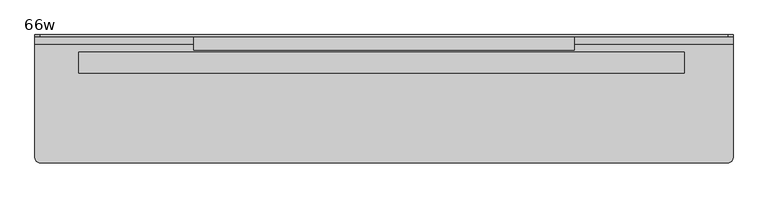
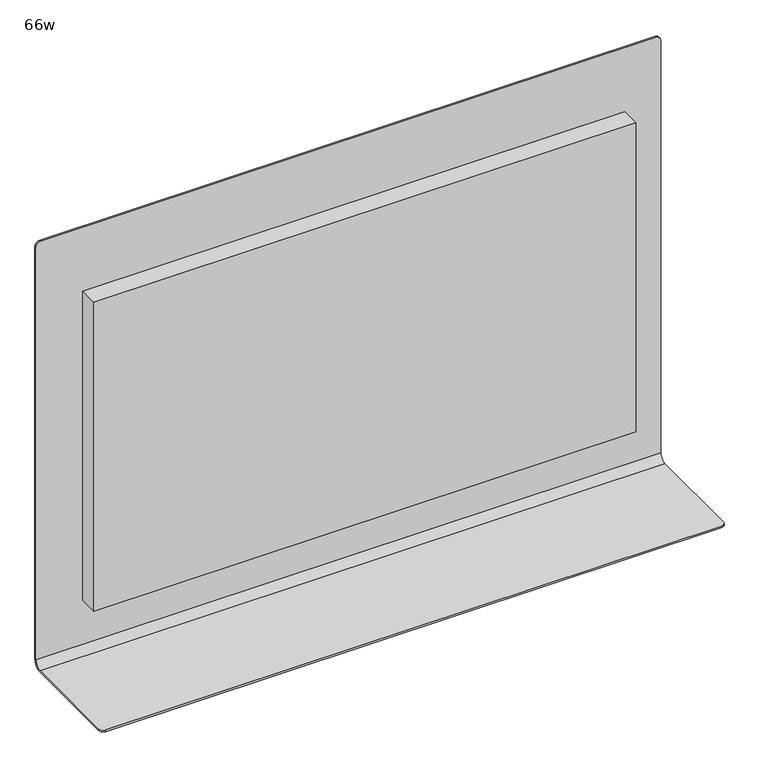
"""IFC4 building model written with IfcOpenShell, lengths in millimetres: furniture geometry, 66w."""

from ifc_helpers import new_model, si_unit, frame, origin, place, context, project, spatial, polyline, circle_curve, outline, extrude, source, transform, mapped, element, save
from ifc_brep_helpers import plane_surface, cylinder_surface, revolved_surface, advanced_brep


def furniture_66w_0b4b0d60(model_context):
    return source(origin(), model_context, "Body", "SolidModel", [
        extrude(outline(polyline([(936.625, -524.3972258), (-517.525, -524.3972258), (-517.525, -473.5972258), (936.625, -473.5972258), (936.625, -524.3972258)])), frame((0.0, 0.0, 952.5), z_axis=(0.0, 0.0, 1.0), x_axis=(1.0, 0.0, 0.0)), (0.0, 0.0, 1.0), 876.3),
        extrude(outline(polyline([(-241.3, -468.8347258), (-241.3, -437.0847266), (673.1, -437.0847266), (673.1, -468.8347258), (-241.3, -468.8347258)])), frame((0.0, 0.0, 1257.3), z_axis=(0.0, 0.0, 1.0), x_axis=(1.0, 0.0, 0.0)), (0.0, 0.0, 1.0), 520.7),
        advanced_brep(
        [(-622.3, -437.0847266, 1968.5), (-622.3, -432.3222266, 1968.5), (-622.3, -432.3222266, 798.5125), (-622.3, -456.1347266, 774.7), (-622.3, -727.5972258, 774.7), (-622.3, -727.5972258, 779.4625), (-622.3, -456.1347266, 779.4625), (-622.3, -437.0847266, 798.5125), (1054.1, -437.0847266, 798.5125), (1054.1, -456.1347266, 779.4625), (1054.1, -727.5972258, 779.4625), (1054.1, -727.5972258, 774.7), (1054.1, -456.1347266, 774.7), (1054.1, -432.3222266, 798.5125), (1054.1, -432.3222266, 1968.5), (1054.1, -437.0847266, 1968.5), (1041.4, -437.0847266, 1981.2), (-609.6, -437.0847266, 1981.2), (-609.6, -432.3222265, 1981.2), (1041.4, -432.3222265, 1981.2), (1041.4, -740.2972258, 774.7), (-609.6, -740.2972258, 774.7), (1041.4, -740.2972258, 779.4625), (-609.6, -740.2972258, 779.4625)],
        [
            (0, 1),
            (1, 2),
            (2, 3, circle_curve(frame((-622.3, -456.1347266, 798.5125), z_axis=(-1.0, 0.0, 0.0), x_axis=(0.0, 1.0, 0.0)), 23.8125)),
            (3, 4),
            (4, 5),
            (5, 6),
            (6, 7, circle_curve(frame((-622.3, -456.1347266, 798.5125), z_axis=(1.0, 0.0, 0.0), x_axis=(0.0, 1.0, 0.0)), 19.05)),
            (7, 0),
            (8, 9, circle_curve(frame((1054.1, -456.1347266, 798.5125), z_axis=(-1.0, 0.0, 0.0), x_axis=(0.0, 1.0, 0.0)), 19.05)),
            (9, 10),
            (10, 11),
            (11, 12),
            (12, 13, circle_curve(frame((1054.1, -456.1347266, 798.5125), z_axis=(1.0, 0.0, 0.0), x_axis=(0.0, 1.0, 0.0)), 23.8125)),
            (13, 14),
            (14, 15),
            (15, 8),
            (7, 8),
            (15, 16, circle_curve(frame((1041.4, -437.0847266, 1968.5), z_axis=(0.0, -1.0, 0.0), x_axis=(0.0, 0.0, 1.0)), 12.7)),
            (16, 17),
            (17, 0, circle_curve(frame((-609.6, -437.0847266, 1968.5), z_axis=(0.0, -1.0, 0.0), x_axis=(0.0, 0.0, 1.0)), 12.7)),
            (1, 18, circle_curve(frame((-609.6, -432.3222265, 1968.5), z_axis=(0.0, 1.0, 0.0), x_axis=(0.0, 0.0, 1.0)), 12.7)),
            (18, 19),
            (19, 14, circle_curve(frame((1041.4, -432.3222265, 1968.5), z_axis=(0.0, 1.0, 0.0), x_axis=(0.0, 0.0, 1.0)), 12.7)),
            (13, 2),
            (12, 3),
            (11, 20, circle_curve(frame((1041.4, -727.5972258, 774.7), z_axis=(0.0, 0.0, -1.0), x_axis=(1.0, 0.0, 0.0)), 12.7)),
            (20, 21),
            (21, 4, circle_curve(frame((-609.6, -727.5972258, 774.7), z_axis=(0.0, 0.0, -1.0), x_axis=(1.0, 0.0, 0.0)), 12.7)),
            (20, 22),
            (22, 23),
            (23, 21),
            (9, 6),
            (5, 23, circle_curve(frame((-609.6, -727.5972258, 779.4625), z_axis=(0.0, 0.0, 1.0), x_axis=(1.0, 0.0, 0.0)), 12.7)),
            (22, 10, circle_curve(frame((1041.4, -727.5972258, 779.4625), z_axis=(0.0, 0.0, 1.0), x_axis=(1.0, 0.0, 0.0)), 12.7)),
            (18, 17),
            (16, 19),
        ],
        [
            plane_surface(frame((-622.3, -437.0847266, 811.2125), z_axis=(-1.0, 0.0, 0.0), x_axis=(0.0, 0.0, 1.0))),
            plane_surface(frame((1054.1, -437.0847266, 811.2125), z_axis=(1.0, 0.0, 0.0), x_axis=(0.0, 0.0, -1.0))),
            plane_surface(frame((-622.3, -437.0847266, 798.5125), z_axis=(0.0, -1.0, 0.0), x_axis=(1.0, 0.0, 0.0))),
            plane_surface(frame((-622.3, -432.3222266, 811.2125), z_axis=(0.0, 1.0, -1.1425527191491285e-11), x_axis=(1.0, 0.0, 0.0))),
            cylinder_surface(frame((1054.1, -456.1347266, 798.5125), z_axis=(-1.0, 0.0, 0.0), x_axis=(0.0, 1.0, 0.0)), 23.8125),
            plane_surface(frame((-622.3, -456.1347266, 774.7), z_axis=(0.0, 0.0, -1.0), x_axis=(1.0, 0.0, 0.0))),
            plane_surface(frame((-622.3, -740.2972258, 774.7), z_axis=(0.0, -1.0, 0.0), x_axis=(1.0, 0.0, 0.0))),
            plane_surface(frame((-622.3, -740.2972258, 779.4625), z_axis=(0.0, 0.0, 1.0), x_axis=(1.0, 0.0, 0.0))),
            revolved_surface(polyline([(1054.1, -437.0847266, 798.5125), (-622.3, -437.0847266, 798.5125)]), (1054.1, -456.1347266, 798.5125), (1.0, 0.0, 0.0)),
            plane_surface(frame((-609.6, -432.3222266, 1981.2), z_axis=(0.0, 0.0, 1.0), x_axis=(0.0, -1.0, 0.0))),
            cylinder_surface(frame((1041.4, -437.0847266, 1968.5), z_axis=(0.0, 1.0, 0.0), x_axis=(0.0, 0.0, 1.0)), 12.7),
            cylinder_surface(frame((-609.6, -437.0847266, 1968.5), z_axis=(0.0, 1.0, 0.0), x_axis=(0.0, 0.0, 1.0)), 12.7),
            cylinder_surface(frame((-609.6, -727.5972258, 700.272573), z_axis=(0.0, 0.0, -1.0), x_axis=(1.0, 0.0, 0.0)), 12.7),
            cylinder_surface(frame((1041.4, -727.5972258, 0.0), z_axis=(0.0, 0.0, -1.0), x_axis=(1.0, 0.0, 0.0)), 12.7),
        ],
        [
            (0, [[1, 2, 3, 4, 5, 6, 7, 8]]),
            (1, [[9, 10, 11, 12, 13, 14, 15, 16]]),
            (2, [[-8, 17, -16, 18, 19, 20]]),
            (3, [[-2, 21, 22, 23, -14, 24]]),
            (4, [[-3, -24, -13, 25]]),
            (5, [[-25, -12, 26, 27, 28, -4]]),
            (6, [[-27, 29, 30, 31]]),
            (7, [[32, -6, 33, -30, 34, -10]]),
            (8, [[-7, -32, -9, -17]]),
            (9, [[-22, 35, -19, 36]]),
            (10, [[-23, -36, -18, -15]]),
            (11, [[-21, -1, -20, -35]]),
            (12, [[-5, -28, -31, -33]]),
            (13, [[-11, -34, -29, -26]]),
        ],
    ),
    ])


if __name__ == "__main__":
    model = new_model("IFC4")
    model_context = context("Model", 3, world=origin())
    ifc_project = project(units=[si_unit("LENGTHUNIT", "METRE", prefix="MILLI")], contexts=[model_context])
    site = spatial("IfcSite", under=ifc_project)
    building = spatial("IfcBuilding", under=site)
    placement = place(None, origin())
    furniture_66w_shape = furniture_66w_0b4b0d60(model_context)
    element("IfcFurniture", 1, ObjectType="66w", at=placement, inside=building, context=model_context, shape_type="MappedRepresentation", body=[
        mapped(furniture_66w_shape, transform((0.0, 0.0, 0.0), x_axis=(1.0, 0.0, 0.0), y_axis=(0.0, 1.0, 0.0), z_axis=(0.0, 0.0, 1.0))),
    ])
    save(model, "model.ifc")
